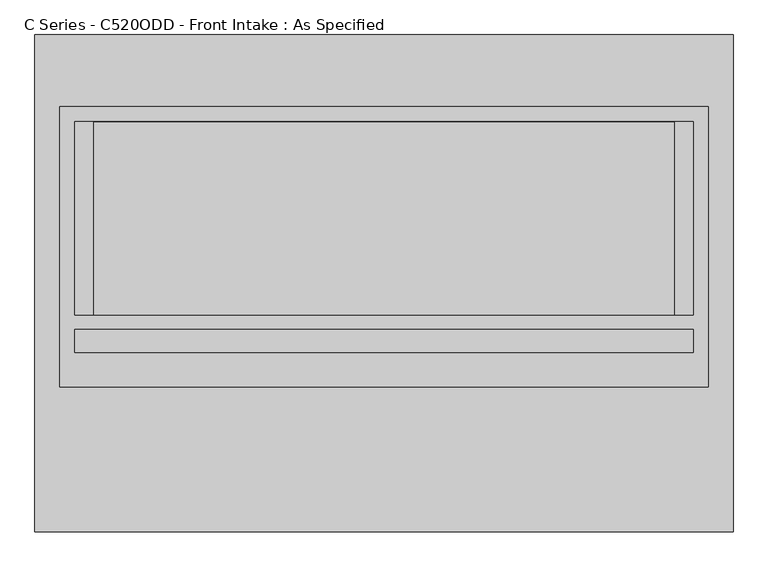
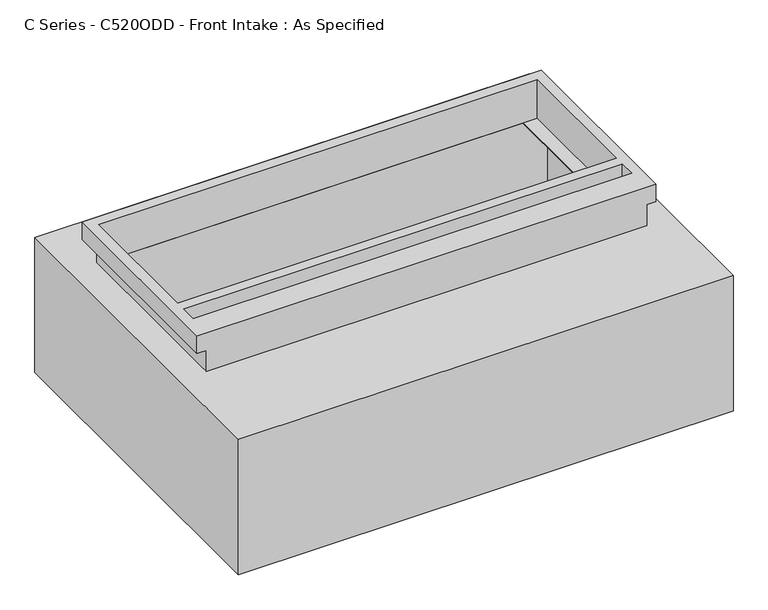
"""IFC4 building model written with IfcOpenShell, lengths in millimetres: proxy geometry, C Series - C520ODD - Front Intake : As Specified."""

from ifc_helpers import new_model, si_unit, frame, origin, place, context, project, spatial, polyline, circle_curve, faceted_brep, source, transform, mapped, element, save
from ifc_brep_helpers import plane_surface, revolved_surface, advanced_brep


def c_series_c520odd_front_intake_as_specified_1814c971(model_context):
    return source(origin(), model_context, "Body", "SolidModel", [
        advanced_brep(
        [(916.78125, 653.3058594, -530.3242188), (916.78125, -653.3058594, -530.3242188), (-916.78125, -653.3058594, -530.3242188), (-916.78125, 653.3058594, -530.3242188), (916.78125, 653.3058594, 0.0), (-916.78125, 653.3058594, 0.0), (-916.78125, -653.3058594, 0.0), (916.78125, -653.3058594, 0.0), (762.0, 424.6066406, 0.0), (762.0, -83.3933594, 0.0), (-762.0, -83.3933594, 0.0), (-762.0, 424.6066406, 0.0), (916.78125, -272.3058594, -430.3117188), (916.78125, -294.5308594, -430.3117188), (916.78125, -170.7058594, -430.3117188), (916.78125, -192.9308594, -430.3117188), (916.78125, -272.3058594, -100.1117188), (916.78125, -294.5308594, -100.1117188), (916.78125, -170.7058594, -100.1117188), (916.78125, -192.9308594, -100.1117188), (850.9, 424.6066406, -527.05), (-850.9, 424.6066406, -527.05), (-850.9, -83.3933594, -527.05), (850.9, -83.3933594, -527.05), (850.9, 424.6066406, -3.175), (850.9, -83.3933594, -3.175), (762.0, -83.3933594, -3.175), (762.0, 424.6066406, -3.175), (-850.9, -83.3933594, -3.175), (-850.9, 424.6066406, -3.175), (-762.0, 424.6066406, -3.175), (-762.0, -83.3933594, -3.175), (900.928271, -294.5308594, -430.3117188), (900.928271, -272.3058594, -430.3117188), (900.928271, -192.9308594, -430.3117188), (900.928271, -170.7058594, -430.3117188), (900.928271, -294.5308594, -100.1117188), (900.928271, -272.3058594, -100.1117188), (900.928271, -192.9308594, -100.1117188), (900.928271, -170.7058594, -100.1117188)],
        [
            (0, 1),
            (1, 2),
            (2, 3),
            (3, 0),
            (4, 5),
            (5, 6),
            (6, 7),
            (7, 4),
            (8, 9),
            (9, 10),
            (10, 11),
            (11, 8),
            (3, 5),
            (4, 0),
            (2, 6),
            (1, 7),
            (12, 13, circle_curve(frame((916.78125, -283.4183594, -430.3117188), z_axis=(-1.0, 0.0, 0.0), x_axis=(0.0, 1.0, 0.0)), 11.1125)),
            (13, 12, circle_curve(frame((916.78125, -283.4183594, -430.3117188), z_axis=(-1.0, 0.0, 0.0), x_axis=(0.0, 1.0, 0.0)), 11.1125)),
            (14, 15, circle_curve(frame((916.78125, -181.8183594, -430.3117188), z_axis=(-1.0, 0.0, 0.0), x_axis=(0.0, 1.0, 0.0)), 11.1125)),
            (15, 14, circle_curve(frame((916.78125, -181.8183594, -430.3117188), z_axis=(-1.0, 0.0, 0.0), x_axis=(0.0, 1.0, 0.0)), 11.1125)),
            (16, 17, circle_curve(frame((916.78125, -283.4183594, -100.1117188), z_axis=(-1.0, 0.0, 0.0), x_axis=(0.0, 1.0, 0.0)), 11.1125)),
            (17, 16, circle_curve(frame((916.78125, -283.4183594, -100.1117188), z_axis=(-1.0, 0.0, 0.0), x_axis=(0.0, 1.0, 0.0)), 11.1125)),
            (18, 19, circle_curve(frame((916.78125, -181.8183594, -100.1117188), z_axis=(-1.0, 0.0, 0.0), x_axis=(0.0, 1.0, 0.0)), 11.1125)),
            (19, 18, circle_curve(frame((916.78125, -181.8183594, -100.1117188), z_axis=(-1.0, 0.0, 0.0), x_axis=(0.0, 1.0, 0.0)), 11.1125)),
            (20, 21),
            (21, 22),
            (22, 23),
            (23, 20),
            (24, 25),
            (25, 26),
            (26, 27),
            (27, 24),
            (28, 29),
            (29, 30),
            (30, 31),
            (31, 28),
            (23, 25),
            (24, 20),
            (22, 28),
            (31, 10),
            (9, 26),
            (21, 29),
            (27, 8),
            (11, 30),
            (32, 33, circle_curve(frame((900.928271, -283.4183594, -430.3117188), z_axis=(1.0, 0.0, 0.0), x_axis=(0.0, 1.0, 0.0)), 11.1125)),
            (33, 32, circle_curve(frame((900.928271, -283.4183594, -430.3117188), z_axis=(1.0, 0.0, 0.0), x_axis=(0.0, 1.0, 0.0)), 11.1125)),
            (34, 35, circle_curve(frame((900.928271, -181.8183594, -430.3117188), z_axis=(1.0, 0.0, 0.0), x_axis=(0.0, 1.0, 0.0)), 11.1125)),
            (35, 34, circle_curve(frame((900.928271, -181.8183594, -430.3117188), z_axis=(1.0, 0.0, 0.0), x_axis=(0.0, 1.0, 0.0)), 11.1125)),
            (36, 37, circle_curve(frame((900.928271, -283.4183594, -100.1117188), z_axis=(1.0, 0.0, 0.0), x_axis=(0.0, 1.0, 0.0)), 11.1125)),
            (37, 36, circle_curve(frame((900.928271, -283.4183594, -100.1117188), z_axis=(1.0, 0.0, 0.0), x_axis=(0.0, 1.0, 0.0)), 11.1125)),
            (38, 39, circle_curve(frame((900.928271, -181.8183594, -100.1117188), z_axis=(1.0, 0.0, 0.0), x_axis=(0.0, 1.0, 0.0)), 11.1125)),
            (39, 38, circle_curve(frame((900.928271, -181.8183594, -100.1117188), z_axis=(1.0, 0.0, 0.0), x_axis=(0.0, 1.0, 0.0)), 11.1125)),
            (32, 13),
            (12, 33),
            (34, 15),
            (14, 35),
            (36, 17),
            (16, 37),
            (38, 19),
            (18, 39),
        ],
        [
            plane_surface(frame((-916.78125, 653.3058594, -530.3242188), z_axis=(0.0, 0.0, -1.0), x_axis=(1.0, 0.0, 0.0))),
            plane_surface(frame((-916.78125, 653.3058594, 0.0), z_axis=(0.0, 0.0, 1.0), x_axis=(-1.0, 0.0, 0.0))),
            plane_surface(frame((916.78125, 653.3058594, 0.0), z_axis=(0.0, 1.0, 0.0), x_axis=(0.0, 0.0, -1.0))),
            plane_surface(frame((-916.78125, 653.3058594, 0.0), z_axis=(-1.0, 0.0, 0.0), x_axis=(0.0, 0.0, -1.0))),
            plane_surface(frame((-916.78125, -653.3058594, 0.0), z_axis=(0.0, -1.0, 0.0), x_axis=(0.0, 0.0, -1.0))),
            plane_surface(frame((916.78125, -653.3058594, 0.0), z_axis=(1.0, 0.0, 0.0), x_axis=(0.0, 0.0, -1.0))),
            plane_surface(frame((850.9, 424.6066406, -527.05), z_axis=(0.0, 0.0, 1.0), x_axis=(0.0, -1.0, 0.0))),
            plane_surface(frame((850.9, 424.6066406, -3.175), z_axis=(0.0, 0.0, -1.0), x_axis=(0.0, 1.0, 0.0))),
            plane_surface(frame((850.9, 424.6066406, -527.05), z_axis=(-1.0, 0.0, 0.0), x_axis=(0.0, 0.0, 1.0))),
            plane_surface(frame((850.9, -83.3933594, -527.05), z_axis=(0.0, 1.0, 0.0), x_axis=(0.0, 0.0, 1.0))),
            plane_surface(frame((-850.9, -83.3933594, -527.05), z_axis=(1.0, 0.0, 0.0), x_axis=(0.0, 0.0, 1.0))),
            plane_surface(frame((-850.9, 424.6066406, -527.05), z_axis=(0.0, -1.0, 0.0), x_axis=(0.0, 0.0, 1.0))),
            plane_surface(frame((762.0, 424.6066406, -25.4), z_axis=(-1.0, 0.0, 0.0), x_axis=(0.0, 0.0, 1.0))),
            plane_surface(frame((-762.0, -83.3933594, -25.4), z_axis=(1.0, 0.0, 0.0), x_axis=(0.0, 0.0, 1.0))),
            plane_surface(frame((900.928271, -272.3058594, -430.3117188), z_axis=(1.0, 0.0, 0.0), x_axis=(0.0, 0.0, -1.0))),
            revolved_surface(polyline([(916.78125, -272.3058594, -430.3117188), (900.928271, -272.3058594, -430.3117188)]), (900.928271, -283.4183594, -430.3117188), (1.0, 0.0, 0.0)),
            revolved_surface(polyline([(916.78125, -170.70585939999998, -430.3117188), (900.928271, -170.70585939999998, -430.3117188)]), (0.0, -181.8183594, -430.3117188), (1.0, 0.0, 0.0)),
            revolved_surface(polyline([(916.78125, -272.3058594, -100.1117188), (900.928271, -272.3058594, -100.1117188)]), (0.0, -283.4183594, -100.1117188), (1.0, 0.0, 0.0)),
            revolved_surface(polyline([(916.78125, -170.70585939999998, -100.1117188), (900.928271, -170.70585939999998, -100.1117188)]), (0.0, -181.8183594, -100.1117188), (1.0, 0.0, 0.0)),
        ],
        [
            (0, [[1, 2, 3, 4]]),
            (1, [[5, 6, 7, 8], [9, 10, 11, 12]]),
            (2, [[-4, 13, -5, 14]]),
            (3, [[-3, 15, -6, -13]]),
            (4, [[-2, 16, -7, -15]]),
            (5, [[-1, -14, -8, -16], [17, 18], [19, 20], [21, 22], [23, 24]]),
            (6, [[25, 26, 27, 28]]),
            (7, [[29, 30, 31, 32]]),
            (7, [[33, 34, 35, 36]]),
            (8, [[-28, 37, -29, 38]]),
            (9, [[-27, 39, -36, 40, -10, 41, -30, -37]]),
            (10, [[-26, 42, -33, -39]]),
            (11, [[-25, -38, -32, 43, -12, 44, -34, -42]]),
            (12, [[-43, -31, -41, -9]]),
            (13, [[-40, -35, -44, -11]]),
            (14, [[45, 46]]),
            (14, [[47, 48]]),
            (14, [[49, 50]]),
            (14, [[51, 52]]),
            (15, [[-45, 53, -17, 54]]),
            (15, [[-46, -54, -18, -53]]),
            (16, [[-47, 55, -19, 56]]),
            (16, [[-48, -56, -20, -55]]),
            (17, [[-49, 57, -21, 58]]),
            (17, [[-50, -58, -22, -57]]),
            (18, [[-51, 59, -23, 60]]),
            (18, [[-52, -60, -24, -59]]),
        ],
    ),
        faceted_brep([(850.9, 464.2941406, 152.4), (-850.9, 464.2941406, 152.4), (-850.9, -272.3058594, 152.4), (850.9, -272.3058594, 152.4), (812.8, 424.6066406, 152.4), (812.8, -83.3933594, 152.4), (-812.8, -83.3933594, 152.4), (-812.8, 424.6066406, 152.4), (812.8, -121.4933594, 152.4), (812.8, -181.8183594, 152.4), (-812.8, -181.8183594, 152.4), (-812.8, -121.4933594, 152.4), (815.975, -272.3058594, 0.0), (-815.975, -272.3058594, 0.0), (-815.975, 429.3691406, 0.0), (815.975, 429.3691406, 0.0), (812.8, -83.3933594, 0.0), (812.8, 424.6066406, 0.0), (-812.8, 424.6066406, 0.0), (-812.8, -83.3933594, 0.0), (850.9, 464.2941406, 82.55), (-850.9, 464.2941406, 82.55), (-850.9, -272.3058594, 82.55), (-815.975, -272.3058594, 82.55), (815.975, -272.3058594, 82.55), (850.9, -272.3058594, 82.55), (815.975, 429.3691406, 82.55), (-815.975, 429.3691406, 82.55), (812.8, -121.4933594, 82.55), (-812.8, -121.4933594, 82.55), (-812.8, -181.8183594, 82.55), (812.8, -181.8183594, 82.55)], [[[0, 1, 2, 3], [4, 5, 6, 7], [8, 9, 10, 11]], [[12, 13, 14, 15], [16, 17, 18, 19]], [[1, 0, 20, 21]], [[2, 1, 21, 22]], [[3, 2, 22, 23, 13, 12, 24, 25]], [[0, 3, 25, 20]], [[24, 26, 27, 23, 22, 21, 20, 25]], [[26, 24, 12, 15]], [[27, 26, 15, 14]], [[23, 27, 14, 13]], [[16, 5, 4, 17]], [[5, 16, 19, 6]], [[6, 19, 18, 7]], [[17, 4, 7, 18]], [[28, 29, 30, 31]], [[28, 31, 9, 8]], [[31, 30, 10, 9]], [[30, 29, 11, 10]], [[29, 28, 8, 11]]]),
    ])


if __name__ == "__main__":
    model = new_model("IFC4")
    model_context = context("Model", 3, world=origin())
    ifc_project = project(units=[si_unit("LENGTHUNIT", "METRE", prefix="MILLI")], contexts=[model_context])
    site = spatial("IfcSite", under=ifc_project)
    building = spatial("IfcBuilding", under=site)
    placement = place(None, origin())
    c_series_c520odd_front_intake_as_specified_shape = c_series_c520odd_front_intake_as_specified_1814c971(model_context)
    element("IfcBuildingElementProxy", 1, Name="C Series - C520ODD - Front Intake : As Specified", ObjectType="C Series - C520ODD - Front Intake : As Specified", at=placement, inside=building, context=model_context, shape_type="MappedRepresentation", body=[
        mapped(c_series_c520odd_front_intake_as_specified_shape, transform((0.0, 0.0, 0.0), x_axis=(1.0, 0.0, 0.0), y_axis=(0.0, 1.0, 0.0), z_axis=(0.0, 0.0, 1.0))),
    ])
    save(model, "model.ifc")
